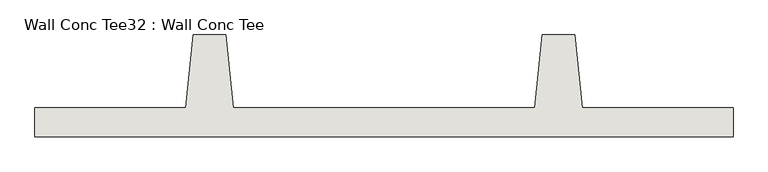
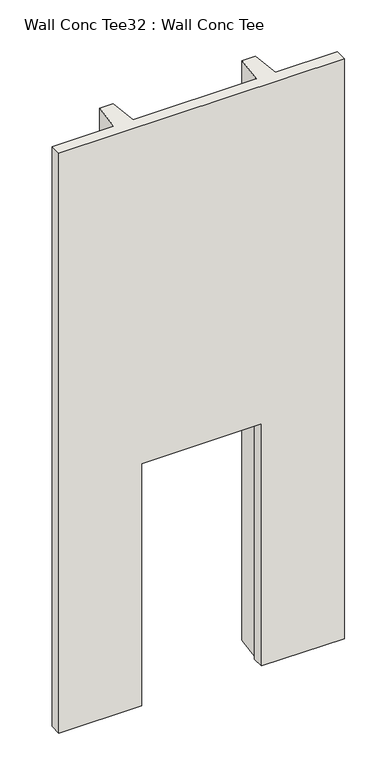
"""IFC4 building model written with IfcOpenShell, lengths in millimetres: wall geometry, Wall Conc Tee32 : Wall Conc Tee."""

from ifc_helpers import new_model, si_unit, origin, place, context, project, spatial, faceted_brep, source, transform, mapped, element, save


def wall_conc_tee32_wall_conc_tee_cad96e6a(model_context):
    return source(origin(), model_context, "Body", "Brep", [
        faceted_brep([(210173.0728488, 193104.2596581, 5376.1679688), (212611.4728488, 193104.2596581, 5376.1679688), (212611.4728488, 193205.8596581, 5376.1679688), (212084.4228488, 193205.8596581, 5376.1679688), (212059.0228488, 193459.8596581, 5376.1679688), (211944.7228488, 193459.8596581, 5376.1679688), (211919.3228488, 193205.8596581, 5376.1679688), (210865.2228488, 193205.8596581, 5376.1679688), (210839.8228488, 193459.8596581, 5376.1679688), (210725.5228488, 193459.8596581, 5376.1679688), (210700.1228488, 193205.8596581, 5376.1679688), (210173.0728488, 193205.8596581, 5376.1679688), (212611.4728488, 193205.8596581, 143.7592564), (212611.4728488, 193104.2596581, 143.7592564), (211905.0353488, 193104.2596581, 143.7592564), (211905.0353488, 193205.8596581, 143.7592564), (211919.3228488, 193205.8596581, 143.7592564), (211944.7228488, 193459.8596581, 143.7592564), (212059.0228488, 193459.8596581, 143.7592564), (212084.4228488, 193205.8596581, 143.7592564), (210839.8228488, 193459.8596581, 143.7592564), (210865.2228488, 193205.8596581, 143.7592564), (210879.5103488, 193205.8596581, 143.7592564), (210879.5103488, 193104.2596581, 143.7592564), (210173.0728488, 193104.2596581, 143.7592564), (210173.0728488, 193205.8596581, 143.7592564), (210700.1228488, 193205.8596581, 143.7592564), (210725.5228488, 193459.8596581, 143.7592564), (210879.5103488, 193104.2596581, 2328.1592564), (211905.0353488, 193104.2596581, 2328.1592564), (211905.0353488, 193205.8596581, 2328.1592564), (210879.5103488, 193205.8596581, 2328.1592564)], [[[0, 1, 2, 3, 4, 5, 6, 7, 8, 9, 10, 11]], [[12, 13, 14, 15, 16, 17, 18, 19]], [[20, 21, 22, 23, 24, 25, 26, 27]], [[1, 0, 24, 23, 28, 29, 14, 13]], [[0, 11, 25, 24]], [[11, 10, 26, 25]], [[10, 9, 27, 26]], [[9, 8, 20, 27]], [[8, 7, 21, 20]], [[7, 6, 16, 15, 30, 31, 22, 21]], [[6, 5, 17, 16]], [[5, 4, 18, 17]], [[4, 3, 19, 18]], [[3, 2, 12, 19]], [[2, 1, 13, 12]], [[28, 31, 30, 29]], [[31, 28, 23, 22]], [[29, 30, 15, 14]]]),
    ])


if __name__ == "__main__":
    model = new_model("IFC4")
    model_context = context("Model", 3, world=origin())
    ifc_project = project(units=[si_unit("LENGTHUNIT", "METRE", prefix="MILLI")], contexts=[model_context])
    site = spatial("IfcSite", under=ifc_project)
    building = spatial("IfcBuilding", under=site)
    placement = place(None, origin())
    wall_conc_tee32_wall_conc_tee_shape = wall_conc_tee32_wall_conc_tee_cad96e6a(model_context)
    element("IfcWall", 1, ObjectType="Wall Conc Tee32 : Wall Conc Tee", at=placement, inside=building, context=model_context, shape_type="MappedRepresentation", body=[
        mapped(wall_conc_tee32_wall_conc_tee_shape, transform((0.0, 0.0, 0.0), x_axis=(1.0, 0.0, 0.0), y_axis=(0.0, 1.0, 0.0), z_axis=(0.0, 0.0, 1.0))),
    ])
    save(model, "model.ifc")
